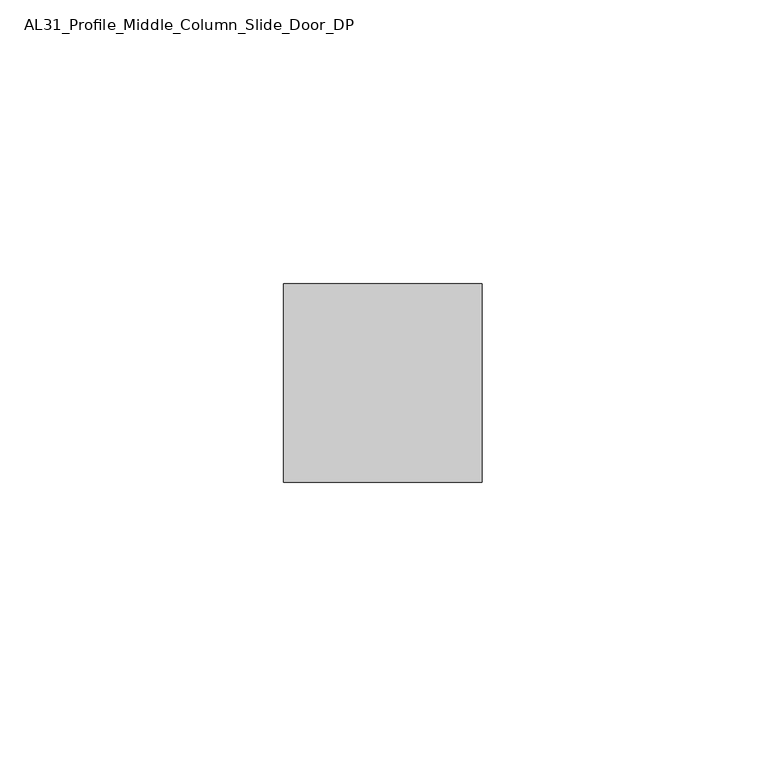
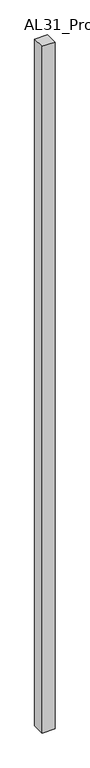
"""IFC4 building model written with IfcOpenShell, lengths in millimetres: member geometry, AL31_Profile_Middle_Column_Slide_Door_DP."""

from ifc_helpers import new_model, si_unit, frame, origin, place, context, project, spatial, polyline, outline, extrude, source, transform, mapped, element, save


def al31_profile_middle_column_slide_door_dp_515a4f33(model_context):
    return source(origin(), model_context, "Body", "SweptSolid", [
        extrude(outline(polyline([(-17.5, 2.347522), (-17.5, 37.347522), (17.5, 37.347522), (17.5, 2.347522), (-17.5, 2.347522)])), frame((0.0, 0.0, -1983.9572926), z_axis=(0.0, 0.0, 1.0), x_axis=(1.0, 0.0, 0.0)), (0.0, 0.0, 1.0), 1983.9572926),
    ])


if __name__ == "__main__":
    model = new_model("IFC4")
    model_context = context("Model", 3, world=origin())
    ifc_project = project(units=[si_unit("LENGTHUNIT", "METRE", prefix="MILLI")], contexts=[model_context])
    site = spatial("IfcSite", under=ifc_project)
    building = spatial("IfcBuilding", under=site)
    placement = place(None, origin())
    al31_profile_middle_column_slide_door_dp_shape = al31_profile_middle_column_slide_door_dp_515a4f33(model_context)
    element("IfcMember", 1, ObjectType="AL31_Profile_Middle_Column_Slide_Door_DP", at=placement, inside=building, context=model_context, shape_type="MappedRepresentation", body=[
        mapped(al31_profile_middle_column_slide_door_dp_shape, transform((0.0, 0.0, 0.0), x_axis=(1.0, 0.0, 0.0), y_axis=(0.0, 1.0, 0.0), z_axis=(0.0, 0.0, 1.0))),
    ])
    save(model, "model.ifc")
